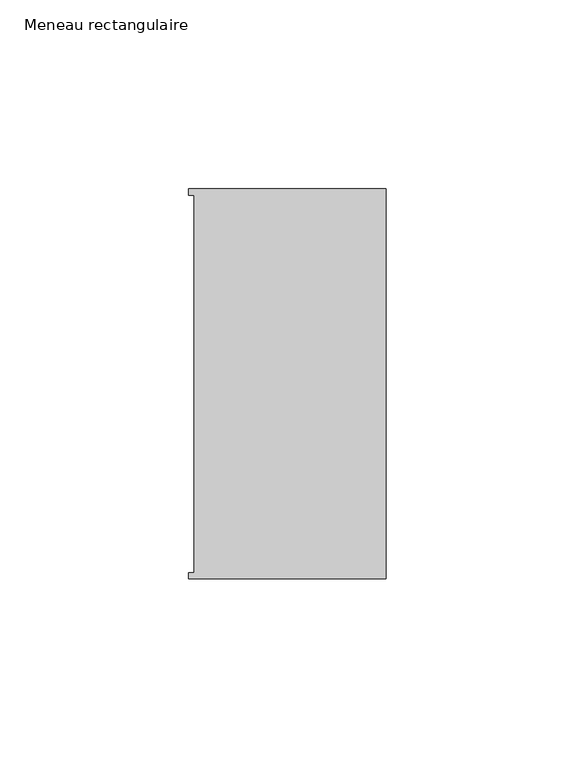
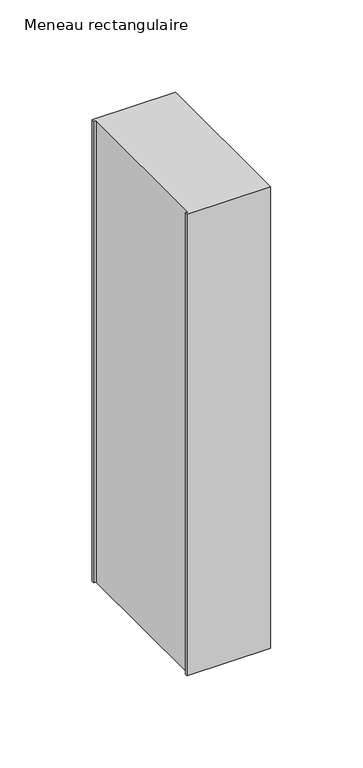
"""IFC4 building model written with IfcOpenShell, lengths in millimetres: member geometry, Meneau rectangulaire."""

from ifc_helpers import new_model, si_unit, frame, origin, place, context, project, spatial, polyline, outline, extrude, source, transform, mapped, element, save


def meneau_rectangulaire_6e9a8bb9(model_context):
    return source(origin(), model_context, "Body", "SweptSolid", [
        extrude(outline(polyline([(-52.3, 51.6531441), (0.0, 51.6531441), (0.0, -51.6130012), (-52.3, -51.6130012), (-52.3, -49.9174099), (-50.9, -49.9174099), (-50.9, 49.9174073), (-52.3, 49.9174073), (-52.3, 51.6531441)])), frame((0.0, 0.0, -305.3555092), z_axis=(0.0, 0.0, 1.0), x_axis=(1.0, 0.0, 0.0)), (0.0, 0.0, 1.0), 305.3555092),
    ])


if __name__ == "__main__":
    model = new_model("IFC4")
    model_context = context("Model", 3, world=origin())
    ifc_project = project(units=[si_unit("LENGTHUNIT", "METRE", prefix="MILLI")], contexts=[model_context])
    site = spatial("IfcSite", under=ifc_project)
    building = spatial("IfcBuilding", under=site)
    placement = place(None, origin())
    meneau_rectangulaire_shape = meneau_rectangulaire_6e9a8bb9(model_context)
    element("IfcMember", 1, ObjectType="Meneau rectangulaire", at=placement, inside=building, context=model_context, shape_type="MappedRepresentation", body=[
        mapped(meneau_rectangulaire_shape, transform((0.0, 0.0, 0.0), x_axis=(1.0, 0.0, 0.0), y_axis=(0.0, 1.0, 0.0), z_axis=(0.0, 0.0, 1.0))),
    ])
    save(model, "model.ifc")
